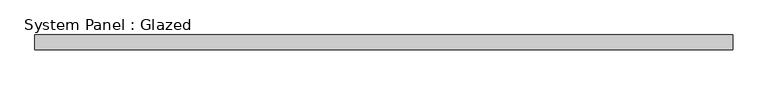
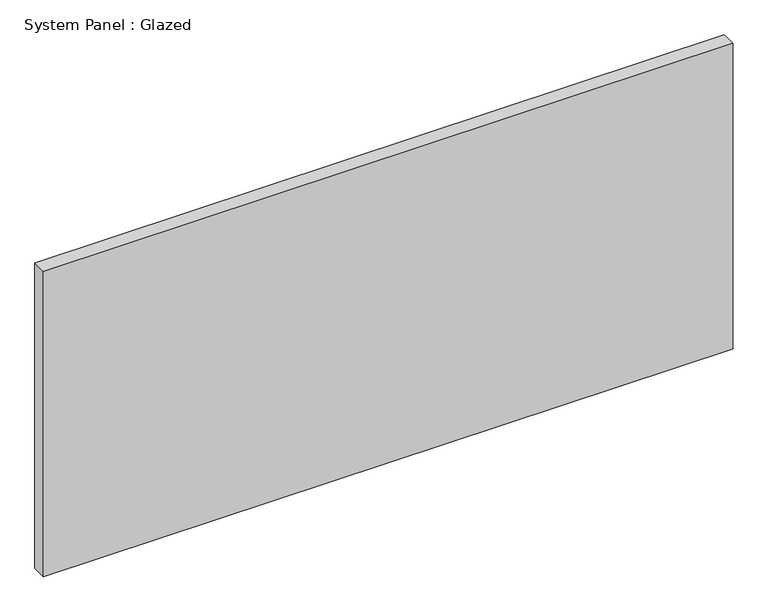
"""IFC4 building model written with IfcOpenShell, lengths in millimetres: plate geometry, System Panel : Glazed."""

from ifc_helpers import new_model, si_unit, origin, origin_with_axes, place, context, project, spatial, polyline, outline, extrude, source, transform, mapped, element, save


def system_panel_glazed_96698c35(model_context):
    return source(origin(), model_context, "Body", "SweptSolid", [
        extrude(outline(polyline([(589.4916667, -12.7), (-589.4916667, -12.7), (-589.4916667, 12.7), (589.4916667, 12.7), (589.4916667, -12.7)])), origin_with_axes(), (0.0, 0.0, 1.0), 552.45),
    ])


if __name__ == "__main__":
    model = new_model("IFC4")
    model_context = context("Model", 3, world=origin())
    ifc_project = project(units=[si_unit("LENGTHUNIT", "METRE", prefix="MILLI")], contexts=[model_context])
    site = spatial("IfcSite", under=ifc_project)
    building = spatial("IfcBuilding", under=site)
    placement = place(None, origin())
    system_panel_glazed_shape = system_panel_glazed_96698c35(model_context)
    element("IfcPlate", 1, ObjectType="System Panel : Glazed", at=placement, inside=building, context=model_context, shape_type="MappedRepresentation", body=[
        mapped(system_panel_glazed_shape, transform((0.0, 0.0, 0.0), x_axis=(1.0, 0.0, 0.0), y_axis=(0.0, 1.0, 0.0), z_axis=(0.0, 0.0, 1.0))),
    ])
    save(model, "model.ifc")
